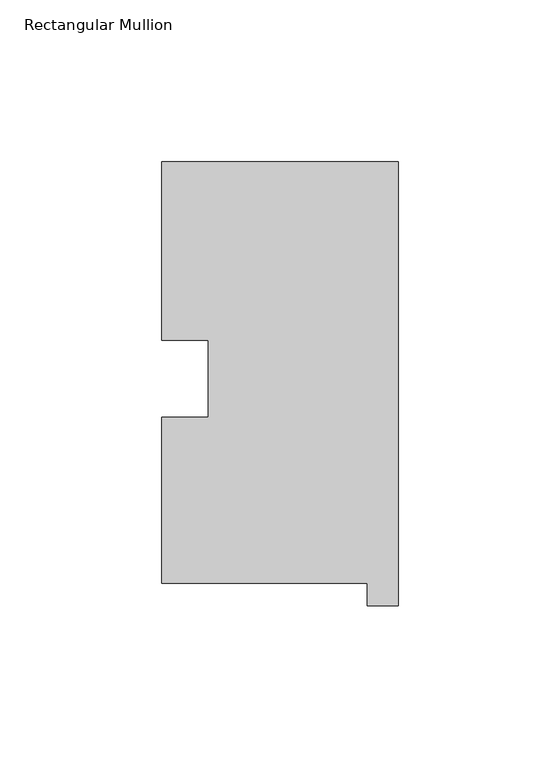
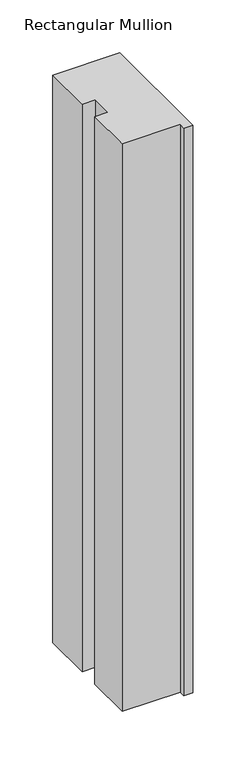
"""IFC4 building model written with IfcOpenShell, lengths in millimetres: member geometry, Rectangular Mullion."""

import ifcopenshell
import ifcopenshell.guid

model = None  # the IFC model being written
_history = None  # IfcOwnerHistory: only IFC2X3 demands one
_inside = {}  # id of a spatial element -> (the spatial element, [elements in it])
_under = {}  # id of a project, library or spatial element -> (it, [spatial elements below it])
_declared = {}  # id of a project -> (the project, [libraries it declares])
_typed = {}  # id of a type object -> (the type object, [elements of that type])
_made_of = {}  # id of a material, layer set ... -> (it, [elements and type objects made of it])


def new_model(schema):
    """Start an empty IFC model of exactly this schema.

    Asked for "IFC4X3", IfcOpenShell would pick the latest addendum, in which some entities
    have other attributes; the version numbers below select the first issue.
    IFC2X3 requires an IfcOwnerHistory on every rooted entity: one is made here for all.
    """
    global model, _history
    if schema == "IFC4X3":
        model = ifcopenshell.file(schema_version=(4, 3, 0, 0))
    else:
        model = ifcopenshell.file(schema=schema)
    _inside.clear()
    _under.clear()
    _declared.clear()
    _typed.clear()
    _made_of.clear()
    _history = None
    if model.schema == "IFC2X3":
        org = make("IfcOrganization", Name="unknown")
        user = make(
            "IfcPersonAndOrganization",
            ThePerson=make("IfcPerson", FamilyName="unknown"),
            TheOrganization=org,
        )
        app = make(
            "IfcApplication",
            ApplicationDeveloper=org,
            Version="unknown",
            ApplicationFullName="unknown",
            ApplicationIdentifier="unknown",
        )
        _history = make(
            "IfcOwnerHistory",
            OwningUser=user,
            OwningApplication=app,
            ChangeAction="ADDED",
            CreationDate=0,
        )
    return model


def make(cls, **values):
    """One entity of the class cls with the attributes given. An attribute that is None is left unset."""
    return model.create_entity(
        cls, **{name: value for name, value in values.items() if value is not None}
    )


def rooted(cls, **values):
    """An entity with a GlobalId (a new one), such as an element, a storey or a relation."""
    return make(cls, GlobalId=ifcopenshell.guid.new(), OwnerHistory=_history, **values)


def si_unit(unit_type, name, prefix=None):
    """IfcSIUnit, for example si_unit("LENGTHUNIT", "METRE", prefix="MILLI")."""
    return make("IfcSIUnit", UnitType=unit_type, Prefix=prefix, Name=name)


def assignment(units):
    """IfcUnitAssignment: the units of a project."""
    return None if units is None else make("IfcUnitAssignment", Units=units)


def point(xyz):
    """IfcCartesianPoint."""
    return None if xyz is None else make("IfcCartesianPoint", Coordinates=xyz)


def direction(xyz):
    """IfcDirection."""
    return None if xyz is None else make("IfcDirection", DirectionRatios=xyz)


def frame(location, z_axis=None, x_axis=None):
    """IfcAxis2Placement3D, a coordinate frame: its origin and axes. An axis left out is left unset."""
    return make(
        "IfcAxis2Placement3D",
        Location=point(location),
        Axis=direction(z_axis),
        RefDirection=direction(x_axis),
    )


def origin():
    """The frame at (0, 0, 0) with its axes left unset."""
    return frame((0.0, 0.0, 0.0))


def place(relative_to, where):
    """IfcLocalPlacement: puts the frame where relative to a parent placement (None: the world)."""
    return make(
        "IfcLocalPlacement", PlacementRelTo=relative_to, RelativePlacement=where
    )


def context(
    kind, dimensions, precision=None, world=None, true_north=None, identifier=None
):
    """IfcGeometricRepresentationContext, for example the 3D "Model" context."""
    return make(
        "IfcGeometricRepresentationContext",
        ContextIdentifier=identifier,
        ContextType=kind,
        CoordinateSpaceDimension=dimensions,
        Precision=precision,
        WorldCoordinateSystem=world,
        TrueNorth=true_north,
    )


def project(units=None, contexts=None):
    """IfcProject with its units and contexts."""
    return rooted(
        "IfcProject",
        Name="project",
        RepresentationContexts=contexts,
        UnitsInContext=assignment(units),
    )


def spatial(cls, under=None, at=None, **own):
    """A site, building, storey or space (cls), placed at a placement, below another one or the project."""
    s = rooted(cls, ObjectPlacement=at, **own)
    if under is not None:
        _under.setdefault(under.id(), (under, []))[1].append(s)
    return s


def polyline(points):
    """IfcPolyline through the points."""
    return make("IfcPolyline", Points=[point(p) for p in points])


def outline(outer, holes=None, kind="AREA"):
    """IfcArbitraryClosedProfileDef: a profile drawn as a closed curve; with holes, ...WithVoids."""
    if holes is None:
        return make("IfcArbitraryClosedProfileDef", ProfileType=kind, OuterCurve=outer)
    return make(
        "IfcArbitraryProfileDefWithVoids",
        ProfileType=kind,
        OuterCurve=outer,
        InnerCurves=holes,
    )


def extrude(swept, where, along, depth):
    """IfcExtrudedAreaSolid: the profile swept, set in the frame where, extruded along a direction by depth."""
    return make(
        "IfcExtrudedAreaSolid",
        SweptArea=swept,
        Position=where,
        ExtrudedDirection=direction(along),
        Depth=depth,
    )


def shape(context_of_items, identifier, shape_type, items):
    """IfcShapeRepresentation: the items that make up one representation, for example the "Body"."""
    return make(
        "IfcShapeRepresentation",
        ContextOfItems=context_of_items,
        RepresentationIdentifier=identifier,
        RepresentationType=shape_type,
        Items=items,
    )


def source(mapping_origin, context_of_items, identifier, shape_type, items):
    """IfcRepresentationMap: a shape defined once, which mapped items show again and again."""
    return make(
        "IfcRepresentationMap",
        MappingOrigin=mapping_origin,
        MappedRepresentation=shape(context_of_items, identifier, shape_type, items),
    )


def transform(
    local_origin,
    x_axis=None,
    y_axis=None,
    z_axis=None,
    scale=None,
    scale2=None,
    scale3=None,
    uniform=True,
):
    """IfcCartesianTransformationOperator3D, or its non-uniform kind. x_axis, y_axis, z_axis: its Axis1, 2, 3."""
    if uniform:
        return make(
            "IfcCartesianTransformationOperator3D",
            Axis1=direction(x_axis),
            Axis2=direction(y_axis),
            LocalOrigin=point(local_origin),
            Scale=scale,
            Axis3=direction(z_axis),
        )
    return make(
        "IfcCartesianTransformationOperator3DnonUniform",
        Axis1=direction(x_axis),
        Axis2=direction(y_axis),
        LocalOrigin=point(local_origin),
        Scale=scale,
        Axis3=direction(z_axis),
        Scale2=scale2,
        Scale3=scale3,
    )


def mapped(mapping_source, mapping_target):
    """IfcMappedItem: shows the shape of a source again, moved by a transform."""
    return make(
        "IfcMappedItem", MappingSource=mapping_source, MappingTarget=mapping_target
    )


def made_of(thing, what):
    """Note that an element or type object is made of a material, layer set ...; save() writes the relation."""
    if what is not None:
        _made_of.setdefault(what.id(), (what, []))[1].append(thing)
    return thing


def element(
    cls,
    number,
    at=None,
    inside=None,
    cuts=None,
    type_object=None,
    material=None,
    context=None,
    identifier="Body",
    shape_type=None,
    held_by="IfcProductDefinitionShape",
    body=None,
    shapes=None,
    **own,
):
    """One element of the class cls, such as IfcWall. Its Tag is "e" and its number.

    at: its placement. inside: the storey or other place that contains it. cuts: it is an
    opening in that element (IfcRelVoidsElement). A single representation is given by context,
    identifier, shape_type and body (its items); several are given by shapes. held_by: the class
    of the entity that holds the representations. save() writes the other relations.
    """
    e = rooted(cls, Tag="e%d" % number, ObjectPlacement=at, **own)
    if body is not None:
        shapes = [shape(context, identifier, shape_type, body)]
    if shapes is not None:
        e.Representation = make(held_by, Representations=shapes)
    if inside is not None:
        _inside.setdefault(inside.id(), (inside, []))[1].append(e)
    if cuts is not None:
        rooted(
            "IfcRelVoidsElement", RelatingBuildingElement=cuts, RelatedOpeningElement=e
        )
    if type_object is not None:
        _typed.setdefault(type_object.id(), (type_object, []))[1].append(e)
    return made_of(e, material)


def aggregate(whole, parts):
    """IfcRelAggregates: a whole, such as a stair, and the parts it consists of."""
    return rooted("IfcRelAggregates", RelatingObject=whole, RelatedObjects=parts)


def save(model, path):
    """Write the relations noted so far, then the file.

    IfcRelAggregates (storeys below a building ...), IfcRelContainedInSpatialStructure (elements
    in a storey), IfcRelDefinesByType, IfcRelAssociatesMaterial and IfcRelDeclares: one each for
    every whole, place, type object, material and project.
    """
    for whole, parts in _under.values():
        aggregate(whole, parts)
    for where, things in _inside.values():
        rooted(
            "IfcRelContainedInSpatialStructure",
            RelatedElements=things,
            RelatingStructure=where,
        )
    for kind, things in _typed.values():
        rooted("IfcRelDefinesByType", RelatedObjects=things, RelatingType=kind)
    for what, things in _made_of.values():
        rooted("IfcRelAssociatesMaterial", RelatedObjects=things, RelatingMaterial=what)
    for by, libraries in _declared.values():
        rooted("IfcRelDeclares", RelatingContext=by, RelatedDefinitions=libraries)
    model.write(path)


def rectangular_mullion_161ee91e(model_context):
    return source(origin(), model_context, "Body", "SweptSolid", [
        extrude(outline(polyline([(-73.025, 130.56235), (0.0, 130.56235), (0.0, -6.64845), (-9.525, -6.64845), (-9.525, 0.26035), (-73.025, 0.26035), (-73.025, 51.60645), (-58.7351579, 51.60645), (-58.7351579, 75.40625), (-73.025, 75.40625), (-73.025, 130.56235)])), frame((0.0, 0.0, -654.05), z_axis=(0.0, 0.0, 1.0), x_axis=(1.0, 0.0, 0.0)), (0.0, 0.0, 1.0), 654.05),
    ])


if __name__ == "__main__":
    model = new_model("IFC4")
    model_context = context("Model", 3, world=origin())
    ifc_project = project(units=[si_unit("LENGTHUNIT", "METRE", prefix="MILLI")], contexts=[model_context])
    site = spatial("IfcSite", under=ifc_project)
    building = spatial("IfcBuilding", under=site)
    placement = place(None, origin())
    rectangular_mullion_shape = rectangular_mullion_161ee91e(model_context)
    element("IfcMember", 1, ObjectType="Rectangular Mullion", at=placement, inside=building, context=model_context, shape_type="MappedRepresentation", body=[
        mapped(rectangular_mullion_shape, transform((0.0, 0.0, 0.0), x_axis=(1.0, 0.0, 0.0), y_axis=(0.0, 1.0, 0.0), z_axis=(0.0, 0.0, 1.0))),
    ])
    save(model, "model.ifc")
